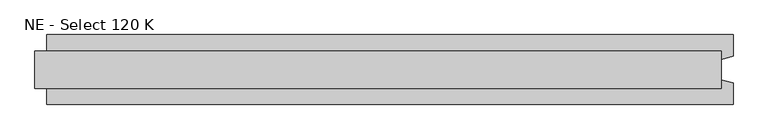
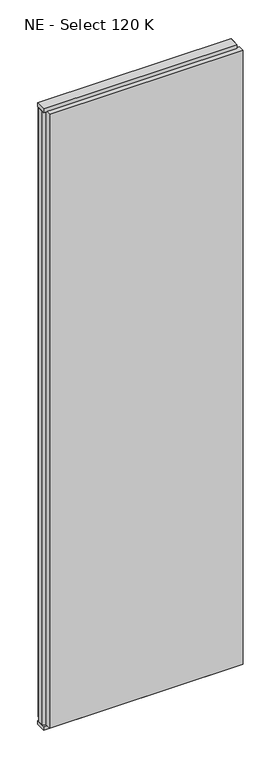
"""IFC4 building model written with IfcOpenShell, lengths in millimetres: plate geometry, NE - Select 120 K."""

from ifc_helpers import new_model, si_unit, frame, origin, origin_with_axes, place, context, project, spatial, polyline, outline, extrude, source, transform, mapped, element, save


def ne_select_120_k_83c40dc4(model_context):
    return source(origin(), model_context, "Body", "SweptSolid", [
        extrude(outline(polyline([(609.0, 60.0), (609.0, 22.9993165), (589.0, 17.6401049), (589.0, -17.6401049), (609.0, -22.9993165), (609.0, -60.0), (-569.0, -60.0), (-569.0, -22.9993165), (-589.0, -17.6401049), (-589.0, 17.6401049), (-569.0, 22.9993165), (-569.0, 60.0), (609.0, 60.0)])), frame((0.0, 0.0, 25.0), z_axis=(0.0, 0.0, 1.0), x_axis=(1.0, 0.0, 0.0)), (0.0, 0.0, 1.0), 3950.0),
        extrude(outline(polyline([(589.0, 32.0), (589.0, -32.0), (-589.0, -32.0), (-589.0, 32.0), (589.0, 32.0)])), origin_with_axes(), (0.0, 0.0, 1.0), 25.0),
        extrude(outline(polyline([(589.0, 32.0), (589.0, -32.0), (-589.0, -32.0), (-589.0, 32.0), (589.0, 32.0)])), frame((0.0, 0.0, 3975.0), z_axis=(0.0, 0.0, 1.0), x_axis=(1.0, 0.0, 0.0)), (0.0, 0.0, 1.0), 25.0),
    ])


if __name__ == "__main__":
    model = new_model("IFC4")
    model_context = context("Model", 3, world=origin())
    ifc_project = project(units=[si_unit("LENGTHUNIT", "METRE", prefix="MILLI")], contexts=[model_context])
    site = spatial("IfcSite", under=ifc_project)
    building = spatial("IfcBuilding", under=site)
    placement = place(None, origin())
    ne_select_120_k_shape = ne_select_120_k_83c40dc4(model_context)
    element("IfcPlate", 1, ObjectType="NE - Select 120 K", at=placement, inside=building, context=model_context, shape_type="MappedRepresentation", body=[
        mapped(ne_select_120_k_shape, transform((0.0, 0.0, 0.0), x_axis=(1.0, 0.0, 0.0), y_axis=(0.0, 1.0, 0.0), z_axis=(0.0, 0.0, 1.0))),
    ])
    save(model, "model.ifc")
